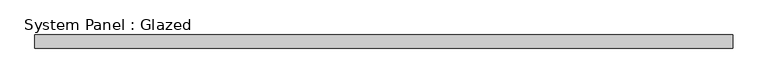
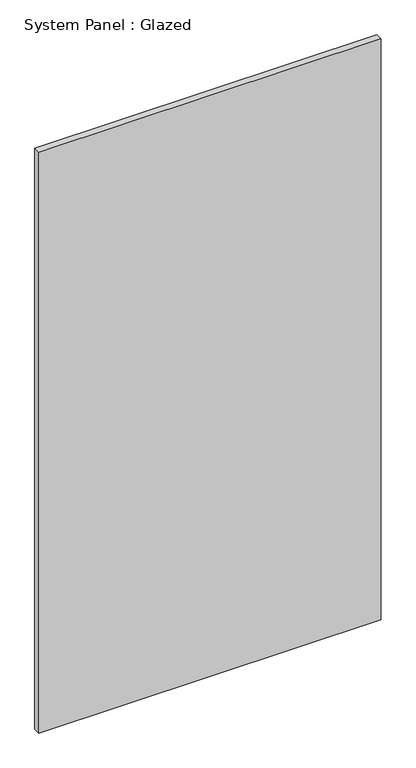
"""IFC4 building model written with IfcOpenShell, lengths in millimetres: plate geometry, System Panel : Glazed."""

from ifc_helpers import new_model, si_unit, origin, origin_with_axes, place, context, project, spatial, polyline, outline, extrude, source, transform, mapped, element, save


def system_panel_glazed_7b1fc0d8(model_context):
    return source(origin(), model_context, "Body", "SweptSolid", [
        extrude(outline(polyline([(653.4091793, 19.05), (-653.4091793, 19.05), (-653.4091793, 44.45), (653.4091793, 44.45), (653.4091793, 19.05)])), origin_with_axes(), (0.0, 0.0, 1.0), 2343.15),
    ])


if __name__ == "__main__":
    model = new_model("IFC4")
    model_context = context("Model", 3, world=origin())
    ifc_project = project(units=[si_unit("LENGTHUNIT", "METRE", prefix="MILLI")], contexts=[model_context])
    site = spatial("IfcSite", under=ifc_project)
    building = spatial("IfcBuilding", under=site)
    placement = place(None, origin())
    system_panel_glazed_shape = system_panel_glazed_7b1fc0d8(model_context)
    element("IfcPlate", 1, ObjectType="System Panel : Glazed", at=placement, inside=building, context=model_context, shape_type="MappedRepresentation", body=[
        mapped(system_panel_glazed_shape, transform((0.0, 0.0, 0.0), x_axis=(1.0, 0.0, 0.0), y_axis=(0.0, 1.0, 0.0), z_axis=(0.0, 0.0, 1.0))),
    ])
    save(model, "model.ifc")
